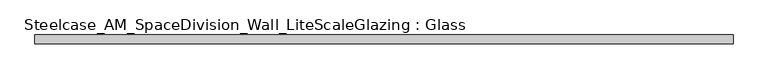
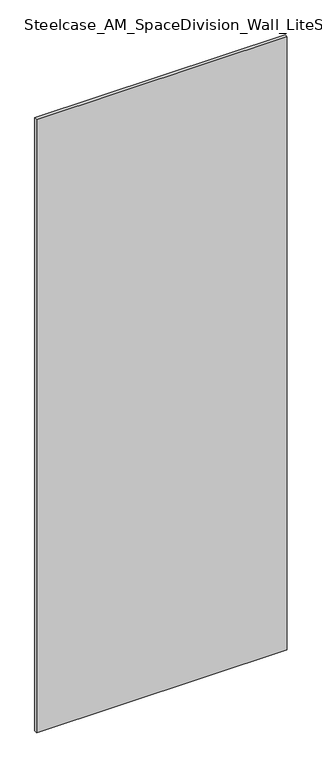
"""IFC4 building model written with IfcOpenShell, lengths in millimetres: plate geometry, Steelcase_AM_SpaceDivision_Wall_LiteScaleGlazing : Glass."""

from ifc_helpers import new_model, si_unit, origin, origin_with_axes, place, context, project, spatial, polyline, outline, extrude, source, transform, mapped, element, save


def steelcase_am_spacedivision_wall_litescaleglazing_glass_071e608d(model_context):
    return source(origin(), model_context, "Body", "SweptSolid", [
        extrude(outline(polyline([(-515.517815, -6.349956), (-515.517815, 6.3502015), (515.517815, 6.3502015), (515.517815, -6.349956), (-515.517815, -6.349956)])), origin_with_axes(), (0.0, 0.0, 1.0), 2665.984),
    ])


if __name__ == "__main__":
    model = new_model("IFC4")
    model_context = context("Model", 3, world=origin())
    ifc_project = project(units=[si_unit("LENGTHUNIT", "METRE", prefix="MILLI")], contexts=[model_context])
    site = spatial("IfcSite", under=ifc_project)
    building = spatial("IfcBuilding", under=site)
    placement = place(None, origin())
    steelcase_am_spacedivision_wall_litescaleglazing_glass_shape = steelcase_am_spacedivision_wall_litescaleglazing_glass_071e608d(model_context)
    element("IfcPlate", 1, ObjectType="Steelcase_AM_SpaceDivision_Wall_LiteScaleGlazing : Glass", at=placement, inside=building, context=model_context, shape_type="MappedRepresentation", body=[
        mapped(steelcase_am_spacedivision_wall_litescaleglazing_glass_shape, transform((0.0, 0.0, 0.0), x_axis=(1.0, 0.0, 0.0), y_axis=(0.0, 1.0, 0.0), z_axis=(0.0, 0.0, 1.0))),
    ])
    save(model, "model.ifc")
